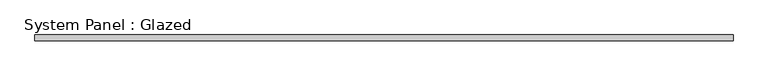
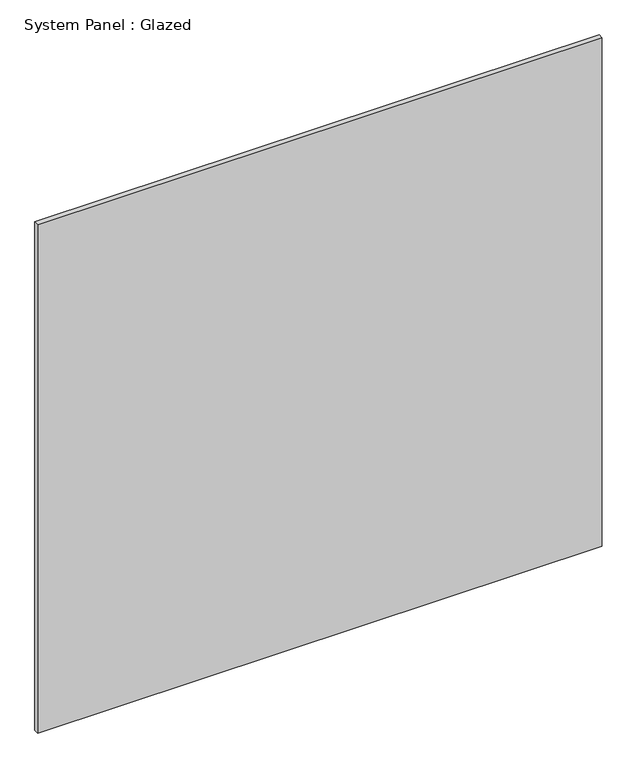
"""IFC4 building model written with IfcOpenShell, lengths in millimetres: plate geometry, System Panel : Glazed."""

from ifc_helpers import new_model, si_unit, origin, origin_with_axes, place, context, project, spatial, polyline, outline, extrude, source, transform, mapped, element, save


def system_panel_glazed_c14993ab(model_context):
    return source(origin(), model_context, "Body", "SweptSolid", [
        extrude(outline(polyline([(1574.8, -44.45), (-1574.8, -44.45), (-1574.8, -19.05), (1574.8, -19.05), (1574.8, -44.45)])), origin_with_axes(), (0.0, 0.0, 1.0), 2997.2),
    ])


if __name__ == "__main__":
    model = new_model("IFC4")
    model_context = context("Model", 3, world=origin())
    ifc_project = project(units=[si_unit("LENGTHUNIT", "METRE", prefix="MILLI")], contexts=[model_context])
    site = spatial("IfcSite", under=ifc_project)
    building = spatial("IfcBuilding", under=site)
    placement = place(None, origin())
    system_panel_glazed_shape = system_panel_glazed_c14993ab(model_context)
    element("IfcPlate", 1, ObjectType="System Panel : Glazed", at=placement, inside=building, context=model_context, shape_type="MappedRepresentation", body=[
        mapped(system_panel_glazed_shape, transform((0.0, 0.0, 0.0), x_axis=(1.0, 0.0, 0.0), y_axis=(0.0, 1.0, 0.0), z_axis=(0.0, 0.0, 1.0))),
    ])
    save(model, "model.ifc")
